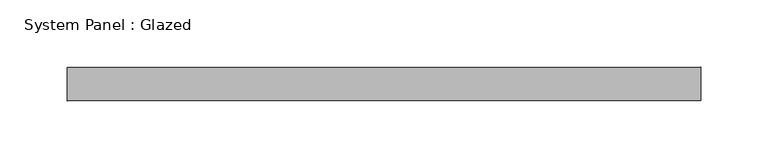
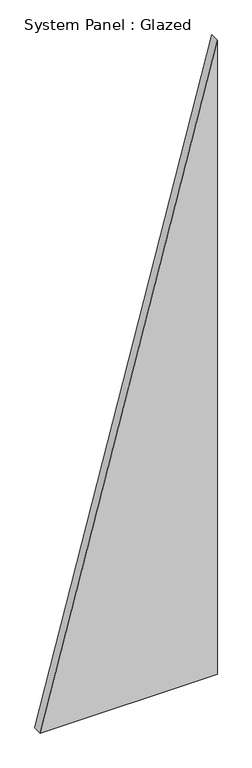
"""IFC4 building model written with IfcOpenShell, lengths in millimetres: plate geometry, System Panel : Glazed."""

import ifcopenshell
import ifcopenshell.guid

model = None  # the IFC model being written
_history = None  # IfcOwnerHistory: only IFC2X3 demands one
_inside = {}  # id of a spatial element -> (the spatial element, [elements in it])
_under = {}  # id of a project, library or spatial element -> (it, [spatial elements below it])
_declared = {}  # id of a project -> (the project, [libraries it declares])
_typed = {}  # id of a type object -> (the type object, [elements of that type])
_made_of = {}  # id of a material, layer set ... -> (it, [elements and type objects made of it])


def new_model(schema):
    """Start an empty IFC model of exactly this schema.

    Asked for "IFC4X3", IfcOpenShell would pick the latest addendum, in which some entities
    have other attributes; the version numbers below select the first issue.
    IFC2X3 requires an IfcOwnerHistory on every rooted entity: one is made here for all.
    """
    global model, _history
    if schema == "IFC4X3":
        model = ifcopenshell.file(schema_version=(4, 3, 0, 0))
    else:
        model = ifcopenshell.file(schema=schema)
    _inside.clear()
    _under.clear()
    _declared.clear()
    _typed.clear()
    _made_of.clear()
    _history = None
    if model.schema == "IFC2X3":
        org = make("IfcOrganization", Name="unknown")
        user = make(
            "IfcPersonAndOrganization",
            ThePerson=make("IfcPerson", FamilyName="unknown"),
            TheOrganization=org,
        )
        app = make(
            "IfcApplication",
            ApplicationDeveloper=org,
            Version="unknown",
            ApplicationFullName="unknown",
            ApplicationIdentifier="unknown",
        )
        _history = make(
            "IfcOwnerHistory",
            OwningUser=user,
            OwningApplication=app,
            ChangeAction="ADDED",
            CreationDate=0,
        )
    return model


def make(cls, **values):
    """One entity of the class cls with the attributes given. An attribute that is None is left unset."""
    return model.create_entity(
        cls, **{name: value for name, value in values.items() if value is not None}
    )


def rooted(cls, **values):
    """An entity with a GlobalId (a new one), such as an element, a storey or a relation."""
    return make(cls, GlobalId=ifcopenshell.guid.new(), OwnerHistory=_history, **values)


def si_unit(unit_type, name, prefix=None):
    """IfcSIUnit, for example si_unit("LENGTHUNIT", "METRE", prefix="MILLI")."""
    return make("IfcSIUnit", UnitType=unit_type, Prefix=prefix, Name=name)


def assignment(units):
    """IfcUnitAssignment: the units of a project."""
    return None if units is None else make("IfcUnitAssignment", Units=units)


def point(xyz):
    """IfcCartesianPoint."""
    return None if xyz is None else make("IfcCartesianPoint", Coordinates=xyz)


def direction(xyz):
    """IfcDirection."""
    return None if xyz is None else make("IfcDirection", DirectionRatios=xyz)


def frame(location, z_axis=None, x_axis=None):
    """IfcAxis2Placement3D, a coordinate frame: its origin and axes. An axis left out is left unset."""
    return make(
        "IfcAxis2Placement3D",
        Location=point(location),
        Axis=direction(z_axis),
        RefDirection=direction(x_axis),
    )


def origin():
    """The frame at (0, 0, 0) with its axes left unset."""
    return frame((0.0, 0.0, 0.0))


def place(relative_to, where):
    """IfcLocalPlacement: puts the frame where relative to a parent placement (None: the world)."""
    return make(
        "IfcLocalPlacement", PlacementRelTo=relative_to, RelativePlacement=where
    )


def context(
    kind, dimensions, precision=None, world=None, true_north=None, identifier=None
):
    """IfcGeometricRepresentationContext, for example the 3D "Model" context."""
    return make(
        "IfcGeometricRepresentationContext",
        ContextIdentifier=identifier,
        ContextType=kind,
        CoordinateSpaceDimension=dimensions,
        Precision=precision,
        WorldCoordinateSystem=world,
        TrueNorth=true_north,
    )


def project(units=None, contexts=None):
    """IfcProject with its units and contexts."""
    return rooted(
        "IfcProject",
        Name="project",
        RepresentationContexts=contexts,
        UnitsInContext=assignment(units),
    )


def spatial(cls, under=None, at=None, **own):
    """A site, building, storey or space (cls), placed at a placement, below another one or the project."""
    s = rooted(cls, ObjectPlacement=at, **own)
    if under is not None:
        _under.setdefault(under.id(), (under, []))[1].append(s)
    return s


def polyline(points):
    """IfcPolyline through the points."""
    return make("IfcPolyline", Points=[point(p) for p in points])


def outline(outer, holes=None, kind="AREA"):
    """IfcArbitraryClosedProfileDef: a profile drawn as a closed curve; with holes, ...WithVoids."""
    if holes is None:
        return make("IfcArbitraryClosedProfileDef", ProfileType=kind, OuterCurve=outer)
    return make(
        "IfcArbitraryProfileDefWithVoids",
        ProfileType=kind,
        OuterCurve=outer,
        InnerCurves=holes,
    )


def extrude(swept, where, along, depth):
    """IfcExtrudedAreaSolid: the profile swept, set in the frame where, extruded along a direction by depth."""
    return make(
        "IfcExtrudedAreaSolid",
        SweptArea=swept,
        Position=where,
        ExtrudedDirection=direction(along),
        Depth=depth,
    )


def shape(context_of_items, identifier, shape_type, items):
    """IfcShapeRepresentation: the items that make up one representation, for example the "Body"."""
    return make(
        "IfcShapeRepresentation",
        ContextOfItems=context_of_items,
        RepresentationIdentifier=identifier,
        RepresentationType=shape_type,
        Items=items,
    )


def source(mapping_origin, context_of_items, identifier, shape_type, items):
    """IfcRepresentationMap: a shape defined once, which mapped items show again and again."""
    return make(
        "IfcRepresentationMap",
        MappingOrigin=mapping_origin,
        MappedRepresentation=shape(context_of_items, identifier, shape_type, items),
    )


def transform(
    local_origin,
    x_axis=None,
    y_axis=None,
    z_axis=None,
    scale=None,
    scale2=None,
    scale3=None,
    uniform=True,
):
    """IfcCartesianTransformationOperator3D, or its non-uniform kind. x_axis, y_axis, z_axis: its Axis1, 2, 3."""
    if uniform:
        return make(
            "IfcCartesianTransformationOperator3D",
            Axis1=direction(x_axis),
            Axis2=direction(y_axis),
            LocalOrigin=point(local_origin),
            Scale=scale,
            Axis3=direction(z_axis),
        )
    return make(
        "IfcCartesianTransformationOperator3DnonUniform",
        Axis1=direction(x_axis),
        Axis2=direction(y_axis),
        LocalOrigin=point(local_origin),
        Scale=scale,
        Axis3=direction(z_axis),
        Scale2=scale2,
        Scale3=scale3,
    )


def mapped(mapping_source, mapping_target):
    """IfcMappedItem: shows the shape of a source again, moved by a transform."""
    return make(
        "IfcMappedItem", MappingSource=mapping_source, MappingTarget=mapping_target
    )


def made_of(thing, what):
    """Note that an element or type object is made of a material, layer set ...; save() writes the relation."""
    if what is not None:
        _made_of.setdefault(what.id(), (what, []))[1].append(thing)
    return thing


def element(
    cls,
    number,
    at=None,
    inside=None,
    cuts=None,
    type_object=None,
    material=None,
    context=None,
    identifier="Body",
    shape_type=None,
    held_by="IfcProductDefinitionShape",
    body=None,
    shapes=None,
    **own,
):
    """One element of the class cls, such as IfcWall. Its Tag is "e" and its number.

    at: its placement. inside: the storey or other place that contains it. cuts: it is an
    opening in that element (IfcRelVoidsElement). A single representation is given by context,
    identifier, shape_type and body (its items); several are given by shapes. held_by: the class
    of the entity that holds the representations. save() writes the other relations.
    """
    e = rooted(cls, Tag="e%d" % number, ObjectPlacement=at, **own)
    if body is not None:
        shapes = [shape(context, identifier, shape_type, body)]
    if shapes is not None:
        e.Representation = make(held_by, Representations=shapes)
    if inside is not None:
        _inside.setdefault(inside.id(), (inside, []))[1].append(e)
    if cuts is not None:
        rooted(
            "IfcRelVoidsElement", RelatingBuildingElement=cuts, RelatedOpeningElement=e
        )
    if type_object is not None:
        _typed.setdefault(type_object.id(), (type_object, []))[1].append(e)
    return made_of(e, material)


def aggregate(whole, parts):
    """IfcRelAggregates: a whole, such as a stair, and the parts it consists of."""
    return rooted("IfcRelAggregates", RelatingObject=whole, RelatedObjects=parts)


def save(model, path):
    """Write the relations noted so far, then the file.

    IfcRelAggregates (storeys below a building ...), IfcRelContainedInSpatialStructure (elements
    in a storey), IfcRelDefinesByType, IfcRelAssociatesMaterial and IfcRelDeclares: one each for
    every whole, place, type object, material and project.
    """
    for whole, parts in _under.values():
        aggregate(whole, parts)
    for where, things in _inside.values():
        rooted(
            "IfcRelContainedInSpatialStructure",
            RelatedElements=things,
            RelatingStructure=where,
        )
    for kind, things in _typed.values():
        rooted("IfcRelDefinesByType", RelatedObjects=things, RelatingType=kind)
    for what, things in _made_of.values():
        rooted("IfcRelAssociatesMaterial", RelatedObjects=things, RelatingMaterial=what)
    for by, libraries in _declared.values():
        rooted("IfcRelDeclares", RelatingContext=by, RelatedDefinitions=libraries)
    model.write(path)


def system_panel_glazed_27e0d88e(model_context):
    return source(origin(), model_context, "Body", "SweptSolid", [
        extrude(outline(polyline([(0.0, -235.7142859), (0.0, 235.7142859), (1783.7837849, 235.7142859), (0.0, -235.7142859)])), frame((0.0, 24.5, 0.0), z_axis=(0.0, 1.0, 0.0), x_axis=(0.0, 0.0, 1.0)), (0.0, 0.0, 1.0), 25.0),
    ])


if __name__ == "__main__":
    model = new_model("IFC4")
    model_context = context("Model", 3, world=origin())
    ifc_project = project(units=[si_unit("LENGTHUNIT", "METRE", prefix="MILLI")], contexts=[model_context])
    site = spatial("IfcSite", under=ifc_project)
    building = spatial("IfcBuilding", under=site)
    placement = place(None, origin())
    system_panel_glazed_shape = system_panel_glazed_27e0d88e(model_context)
    element("IfcPlate", 1, ObjectType="System Panel : Glazed", at=placement, inside=building, context=model_context, shape_type="MappedRepresentation", body=[
        mapped(system_panel_glazed_shape, transform((0.0, 0.0, 0.0), x_axis=(1.0, 0.0, 0.0), y_axis=(0.0, 1.0, 0.0), z_axis=(0.0, 0.0, 1.0))),
    ])
    save(model, "model.ifc")
